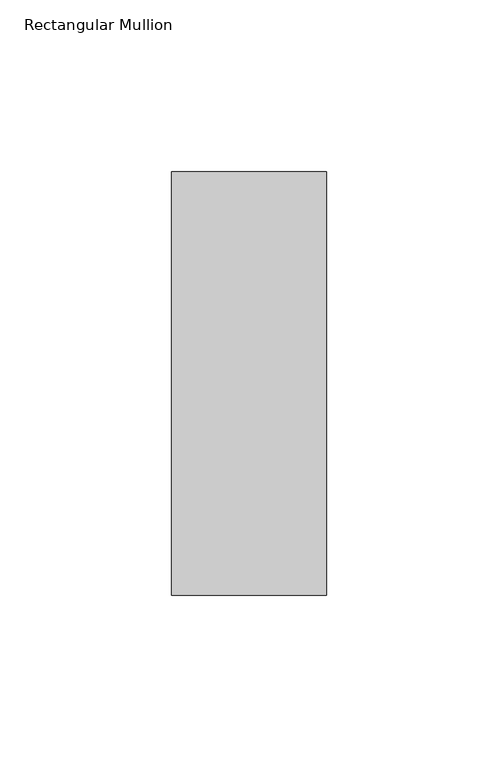
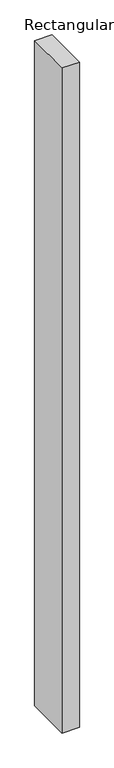
"""IFC4 building model written with IfcOpenShell, lengths in millimetres: member geometry, Rectangular Mullion."""

from ifc_helpers import new_model, si_unit, frame, origin, place, context, project, spatial, polyline, outline, extrude, source, transform, mapped, element, save


def rectangular_mullion_2d4a2297(model_context):
    return source(origin(), model_context, "Body", "SweptSolid", [
        extrude(outline(polyline([(-45.0, 77.05), (0.0, 77.05), (0.0, -46.05), (-45.0, -46.05), (-45.0, 77.05)])), frame((0.0, 0.0, -1828.8), z_axis=(0.0, 0.0, 1.0), x_axis=(1.0, 0.0, 0.0)), (0.0, 0.0, 1.0), 1828.8),
    ])


if __name__ == "__main__":
    model = new_model("IFC4")
    model_context = context("Model", 3, world=origin())
    ifc_project = project(units=[si_unit("LENGTHUNIT", "METRE", prefix="MILLI")], contexts=[model_context])
    site = spatial("IfcSite", under=ifc_project)
    building = spatial("IfcBuilding", under=site)
    placement = place(None, origin())
    rectangular_mullion_shape = rectangular_mullion_2d4a2297(model_context)
    element("IfcMember", 1, ObjectType="Rectangular Mullion", at=placement, inside=building, context=model_context, shape_type="MappedRepresentation", body=[
        mapped(rectangular_mullion_shape, transform((0.0, 0.0, 0.0), x_axis=(1.0, 0.0, 0.0), y_axis=(0.0, 1.0, 0.0), z_axis=(0.0, 0.0, 1.0))),
    ])
    save(model, "model.ifc")
